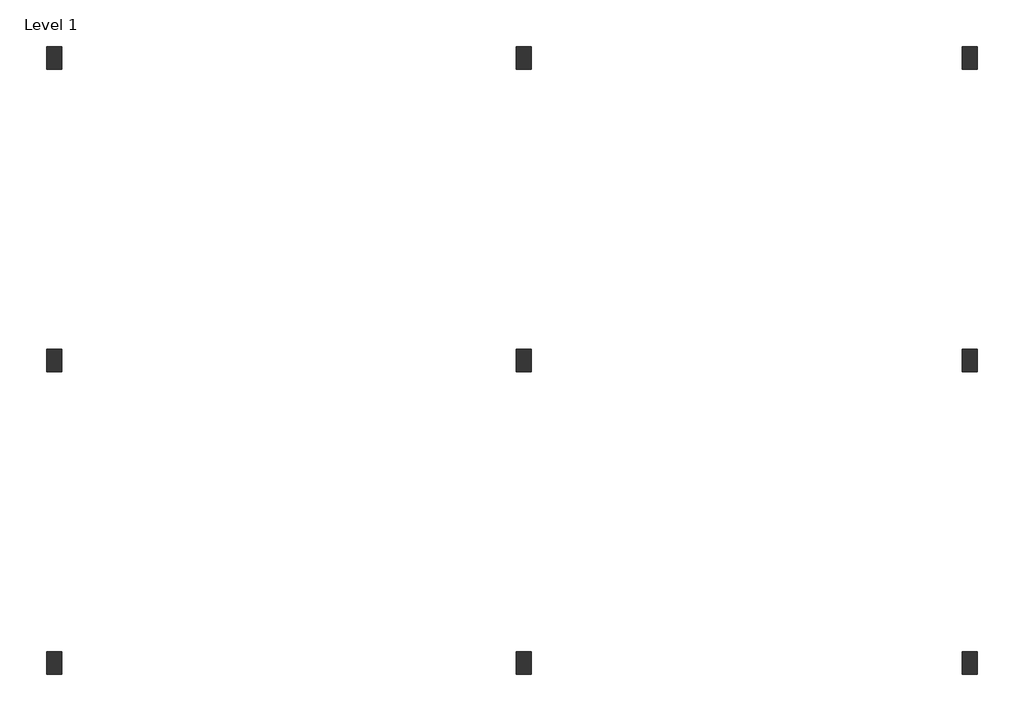
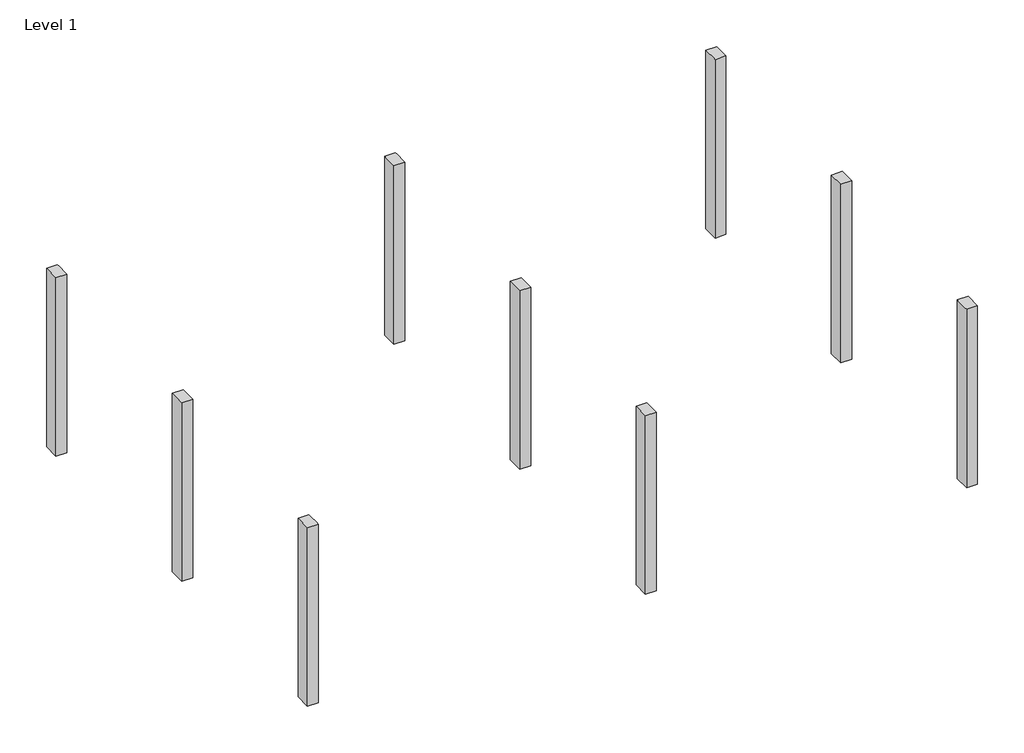
# One storey: 9 columns.
"""IFC4 building model written with IfcOpenShell, lengths in millimetres."""

from ifc_helpers import new_model, si_unit, origin, place, context, project, spatial, faceted_brep, element, save

model = new_model("IFC4")

# Units and contexts
model_context = context("Model", 3, world=origin())
ifc_project = project(units=[si_unit("LENGTHUNIT", "METRE", prefix="MILLI")], contexts=[model_context])

# Site, building, storey
site = spatial("IfcSite", under=ifc_project)
building = spatial("IfcBuilding", under=site)
storey = spatial("IfcBuildingStorey", under=building, Name="Level 1", Elevation=0.0)

# Columns
placement = place(None, origin())
element("IfcColumn", 1, ObjectType="M_Concrete-Rectangular-Column : 300 x 450mm", at=placement, inside=storey, context=model_context, shape_type="Brep", body=[
    faceted_brep([(-10066.2331694, -4690.860436, 2700.0), (-10366.2331694, -4690.860436, 2700.0), (-10366.2331694, -5140.860436, 2700.0), (-10066.2331694, -5140.860436, 2700.0), (-10066.2331694, -5065.860436, 2700.0), (-10066.2331694, -4765.860436, 2700.0), (-10066.2331694, -4690.860436, -2500.0), (-10066.2331694, -5140.860436, -2500.0), (-10366.2331694, -5140.860436, -2500.0), (-10366.2331694, -4690.860436, -2500.0), (-10066.2331694, -4690.860436, 2100.0), (-10366.2331694, -4690.860436, 2100.0)], [[[0, 1, 2, 3, 4, 5]], [[6, 7, 8, 9]], [[1, 0, 10, 6, 9, 11]], [[2, 1, 11, 9, 8]], [[3, 2, 8, 7]], [[0, 5, 4, 3, 7, 6, 10]]]),
])
element("IfcColumn", 2, ObjectType="M_Concrete-Rectangular-Column : 300 x 450mm", at=placement, inside=storey, context=model_context, shape_type="Brep", body=[
    faceted_brep([(-753.8433988, -4690.860436, 2700.0), (-1053.8433988, -4690.860436, 2700.0), (-1053.8433988, -4765.860436, 2700.0), (-1053.8433988, -5065.860436, 2700.0), (-1053.8433988, -5140.860436, 2700.0), (-753.8433988, -5140.860436, 2700.0), (-753.8433988, -5065.860436, 2700.0), (-753.8433988, -4765.860436, 2700.0), (-753.8433988, -4690.860436, -2500.0), (-753.8433988, -5140.860436, -2500.0), (-1053.8433988, -5140.860436, -2500.0), (-1053.8433988, -4690.860436, -2500.0), (-753.8433988, -4690.860436, 2100.0), (-1053.8433988, -4690.860436, 2100.0)], [[[0, 1, 2, 3, 4, 5, 6, 7]], [[8, 9, 10, 11]], [[1, 0, 12, 8, 11, 13]], [[4, 3, 2, 1, 13, 11, 10]], [[5, 4, 10, 9]], [[0, 7, 6, 5, 9, 8, 12]]]),
])
element("IfcColumn", 3, ObjectType="M_Concrete-Rectangular-Column : 300 x 450mm", at=placement, inside=storey, context=model_context, shape_type="Brep", body=[
    faceted_brep([(8092.9268832, -4690.860436, 2700.0), (7792.9268832, -4690.860436, 2700.0), (7792.9268832, -4765.860436, 2700.0), (7792.9268832, -5065.860436, 2700.0), (7792.9268832, -5140.860436, 2700.0), (8092.9268832, -5140.860436, 2700.0), (8092.9268832, -4690.860436, -2500.0), (8092.9268832, -5140.860436, -2500.0), (7792.9268832, -5140.860436, -2500.0), (7792.9268832, -4690.860436, -2500.0), (8092.9268832, -4690.860436, 2100.0), (7792.9268832, -4690.860436, 2100.0)], [[[0, 1, 2, 3, 4, 5]], [[6, 7, 8, 9]], [[1, 0, 10, 6, 9, 11]], [[4, 3, 2, 1, 11, 9, 8]], [[5, 4, 8, 7]], [[0, 5, 7, 6, 10]]]),
])
element("IfcColumn", 4, ObjectType="M_Concrete-Rectangular-Column : 300 x 450mm", at=placement, inside=storey, context=model_context, shape_type="Brep", body=[
    faceted_brep([(-10066.2331694, 1309.139564, 2700.0), (-10366.2331694, 1309.139564, 2700.0), (-10366.2331694, 859.139564, 2700.0), (-10066.2331694, 859.139564, 2700.0), (-10066.2331694, 934.139564, 2700.0), (-10066.2331694, 1234.139564, 2700.0), (-10066.2331694, 1309.139564, -2500.0), (-10066.2331694, 859.139564, -2500.0), (-10366.2331694, 859.139564, -2500.0), (-10366.2331694, 1309.139564, -2500.0), (-10066.2331694, 1309.139564, 2100.0), (-10366.2331694, 1309.139564, 2100.0), (-10366.2331694, 859.139564, 2100.0), (-10066.2331694, 859.139564, 2100.0)], [[[0, 1, 2, 3, 4, 5]], [[6, 7, 8, 9]], [[1, 0, 10, 6, 9, 11]], [[2, 1, 11, 9, 8, 12]], [[3, 2, 12, 8, 7, 13]], [[0, 5, 4, 3, 13, 7, 6, 10]]]),
])
element("IfcColumn", 5, ObjectType="M_Concrete-Rectangular-Column : 300 x 450mm", at=placement, inside=storey, context=model_context, shape_type="Brep", body=[
    faceted_brep([(-753.8433988, 1309.139564, 2700.0), (-1053.8433988, 1309.139564, 2700.0), (-1053.8433988, 1234.139564, 2700.0), (-1053.8433988, 934.139564, 2700.0), (-1053.8433988, 859.139564, 2700.0), (-753.8433988, 859.139564, 2700.0), (-753.8433988, 934.139564, 2700.0), (-753.8433988, 1234.139564, 2700.0), (-753.8433988, 1309.139564, -2500.0), (-753.8433988, 859.139564, -2500.0), (-1053.8433988, 859.139564, -2500.0), (-1053.8433988, 1309.139564, -2500.0), (-753.8433988, 1309.139564, 2100.0), (-1053.8433988, 1309.139564, 2100.0), (-1053.8433988, 859.139564, 2100.0), (-753.8433988, 859.139564, 2100.0)], [[[0, 1, 2, 3, 4, 5, 6, 7]], [[8, 9, 10, 11]], [[1, 0, 12, 8, 11, 13]], [[4, 3, 2, 1, 13, 11, 10, 14]], [[5, 4, 14, 10, 9, 15]], [[0, 7, 6, 5, 15, 9, 8, 12]]]),
])
element("IfcColumn", 6, ObjectType="M_Concrete-Rectangular-Column : 300 x 450mm", at=placement, inside=storey, context=model_context, shape_type="Brep", body=[
    faceted_brep([(8092.9268832, 1309.139564, 2700.0), (7792.9268832, 1309.139564, 2700.0), (7792.9268832, 1234.139564, 2700.0), (7792.9268832, 934.139564, 2700.0), (7792.9268832, 859.139564, 2700.0), (8092.9268832, 859.139564, 2700.0), (8092.9268832, 1309.139564, -2500.0), (8092.9268832, 859.139564, -2500.0), (7792.9268832, 859.139564, -2500.0), (7792.9268832, 1309.139564, -2500.0), (8092.9268832, 1309.139564, 2100.0), (7792.9268832, 1309.139564, 2100.0), (7792.9268832, 859.139564, 2100.0), (8092.9268832, 859.139564, 2100.0)], [[[0, 1, 2, 3, 4, 5]], [[6, 7, 8, 9]], [[1, 0, 10, 6, 9, 11]], [[4, 3, 2, 1, 11, 9, 8, 12]], [[5, 4, 12, 8, 7, 13]], [[0, 5, 13, 7, 6, 10]]]),
])
element("IfcColumn", 7, ObjectType="M_Concrete-Rectangular-Column : 300 x 450mm", at=placement, inside=storey, context=model_context, shape_type="Brep", body=[
    faceted_brep([(-10066.2331694, 7309.139564, 2700.0), (-10366.2331694, 7309.139564, 2700.0), (-10366.2331694, 6859.139564, 2700.0), (-10066.2331694, 6859.139564, 2700.0), (-10066.2331694, 6934.139564, 2700.0), (-10066.2331694, 7234.139564, 2700.0), (-10066.2331694, 7309.139564, -2500.0), (-10066.2331694, 6859.139564, -2500.0), (-10366.2331694, 6859.139564, -2500.0), (-10366.2331694, 7309.139564, -2500.0), (-10366.2331694, 6859.139564, 2100.0), (-10066.2331694, 6859.139564, 2100.0)], [[[0, 1, 2, 3, 4, 5]], [[6, 7, 8, 9]], [[1, 0, 6, 9]], [[2, 1, 9, 8, 10]], [[3, 2, 10, 8, 7, 11]], [[0, 5, 4, 3, 11, 7, 6]]]),
])
element("IfcColumn", 8, ObjectType="M_Concrete-Rectangular-Column : 300 x 450mm", at=placement, inside=storey, context=model_context, shape_type="Brep", body=[
    faceted_brep([(-753.8433988, 7309.139564, 2700.0), (-1053.8433988, 7309.139564, 2700.0), (-1053.8433988, 7234.139564, 2700.0), (-1053.8433988, 6934.139564, 2700.0), (-1053.8433988, 6859.139564, 2700.0), (-753.8433988, 6859.139564, 2700.0), (-753.8433988, 6934.139564, 2700.0), (-753.8433988, 7234.139564, 2700.0), (-753.8433988, 7309.139564, -2500.0), (-753.8433988, 6859.139564, -2500.0), (-1053.8433988, 6859.139564, -2500.0), (-1053.8433988, 7309.139564, -2500.0), (-1053.8433988, 6859.139564, 2100.0), (-753.8433988, 6859.139564, 2100.0)], [[[0, 1, 2, 3, 4, 5, 6, 7]], [[8, 9, 10, 11]], [[1, 0, 8, 11]], [[4, 3, 2, 1, 11, 10, 12]], [[5, 4, 12, 10, 9, 13]], [[0, 7, 6, 5, 13, 9, 8]]]),
])
element("IfcColumn", 9, ObjectType="M_Concrete-Rectangular-Column : 300 x 450mm", at=placement, inside=storey, context=model_context, shape_type="Brep", body=[
    faceted_brep([(8092.9268832, 7309.139564, 2700.0), (7792.9268832, 7309.139564, 2700.0), (7792.9268832, 7234.139564, 2700.0), (7792.9268832, 6934.139564, 2700.0), (7792.9268832, 6859.139564, 2700.0), (8092.9268832, 6859.139564, 2700.0), (8092.9268832, 7309.139564, -2500.0), (8092.9268832, 6859.139564, -2500.0), (7792.9268832, 6859.139564, -2500.0), (7792.9268832, 7309.139564, -2500.0), (7792.9268832, 6859.139564, 2100.0), (8092.9268832, 6859.139564, 2100.0)], [[[0, 1, 2, 3, 4, 5]], [[6, 7, 8, 9]], [[1, 0, 6, 9]], [[4, 3, 2, 1, 9, 8, 10]], [[5, 4, 10, 8, 7, 11]], [[0, 5, 11, 7, 6]]]),
])

save(model, "model.ifc")
